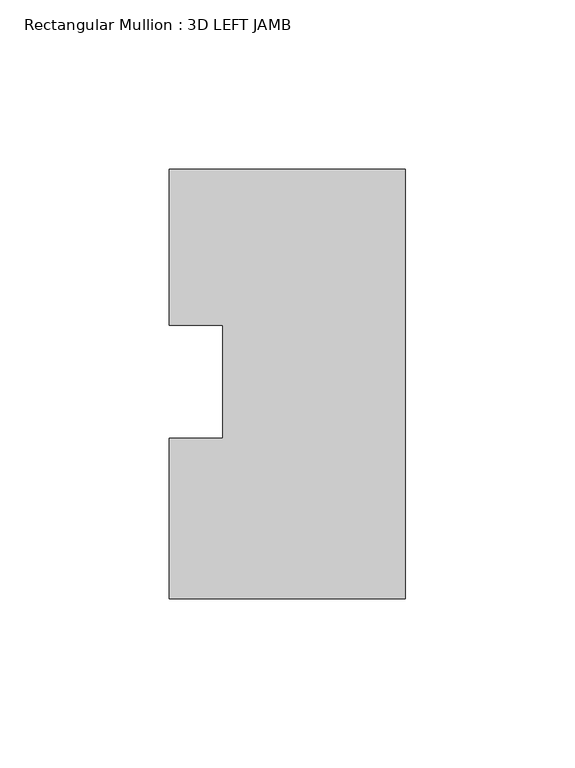
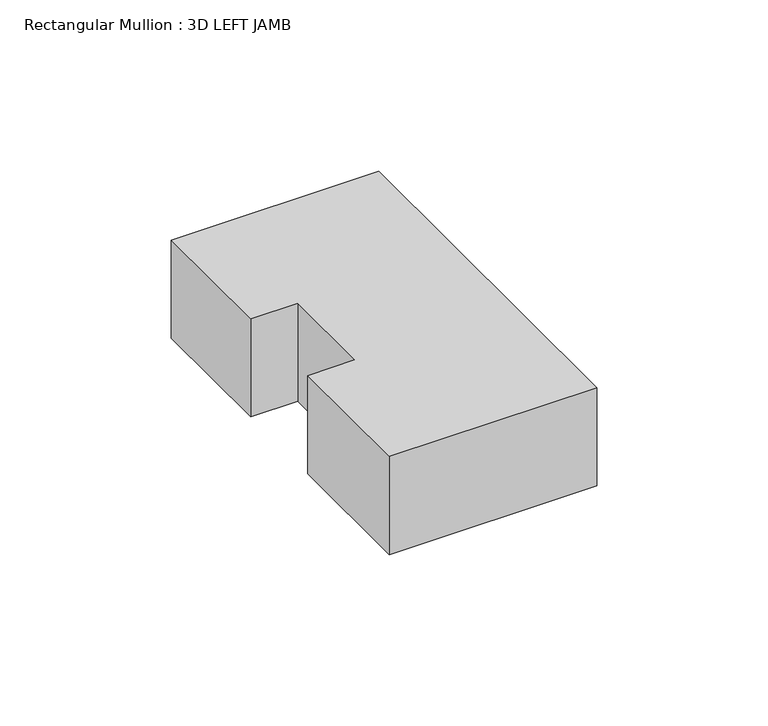
"""IFC4 building model written with IfcOpenShell, lengths in millimetres: member geometry, Rectangular Mullion : 3D LEFT JAMB."""

from ifc_helpers import new_model, si_unit, frame, origin, place, context, project, spatial, polyline, outline, extrude, source, transform, mapped, element, save


def rectangular_mullion_3d_left_jamb_90068515(model_context):
    return source(origin(), model_context, "Body", "SweptSolid", [
        extrude(outline(polyline([(-69.85, 62.8644207), (0.0, 62.8644207), (0.0, -64.1355793), (-69.85, -64.1355793), (-69.85, -16.6815107), (-53.975, -16.6815107), (-53.975, 16.6815107), (-69.85, 16.6815107), (-69.85, 62.8644207)])), frame((0.0, 0.0, -34.925), z_axis=(0.0, 0.0, 1.0), x_axis=(1.0, 0.0, 0.0)), (0.0, 0.0, 1.0), 34.925),
    ])


if __name__ == "__main__":
    model = new_model("IFC4")
    model_context = context("Model", 3, world=origin())
    ifc_project = project(units=[si_unit("LENGTHUNIT", "METRE", prefix="MILLI")], contexts=[model_context])
    site = spatial("IfcSite", under=ifc_project)
    building = spatial("IfcBuilding", under=site)
    placement = place(None, origin())
    rectangular_mullion_3d_left_jamb_shape = rectangular_mullion_3d_left_jamb_90068515(model_context)
    element("IfcMember", 1, ObjectType="Rectangular Mullion : 3D LEFT JAMB", at=placement, inside=building, context=model_context, shape_type="MappedRepresentation", body=[
        mapped(rectangular_mullion_3d_left_jamb_shape, transform((0.0, 0.0, 0.0), x_axis=(1.0, 0.0, 0.0), y_axis=(0.0, 1.0, 0.0), z_axis=(0.0, 0.0, 1.0))),
    ])
    save(model, "model.ifc")
